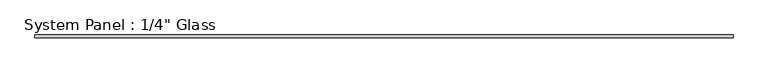
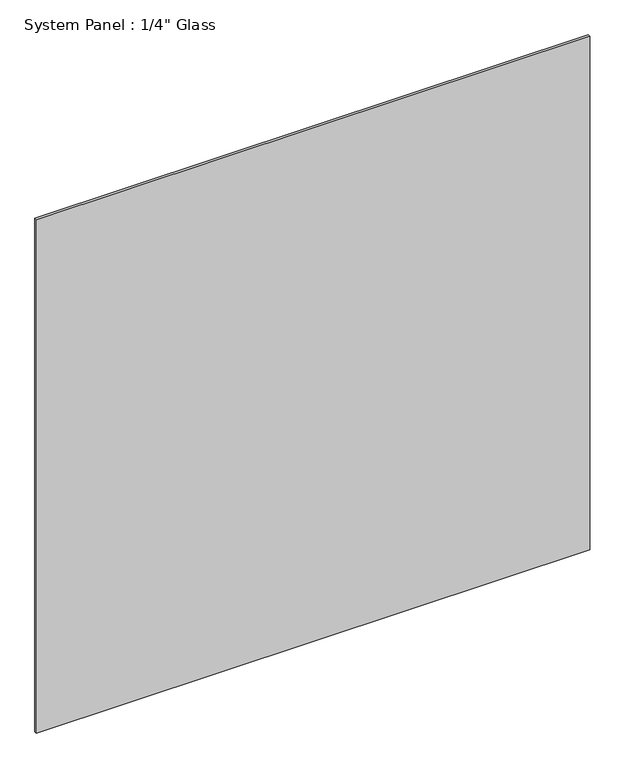
"""IFC4 building model written with IfcOpenShell, lengths in millimetres: plate geometry."""

from ifc_helpers import new_model, si_unit, origin, origin_with_axes, place, context, project, spatial, polyline, outline, extrude, source, transform, mapped, element, save


def plate_d287d0ec(model_context):
    return source(origin(), model_context, "Body", "SweptSolid", [
        extrude(outline(polyline([(729.6720691, -3.175), (-729.6720691, -3.175), (-729.6720691, 3.175), (729.6720691, 3.175), (729.6720691, -3.175)])), origin_with_axes(), (0.0, 0.0, 1.0), 1431.2917704),
    ])


if __name__ == "__main__":
    model = new_model("IFC4")
    model_context = context("Model", 3, world=origin())
    ifc_project = project(units=[si_unit("LENGTHUNIT", "METRE", prefix="MILLI")], contexts=[model_context])
    site = spatial("IfcSite", under=ifc_project)
    building = spatial("IfcBuilding", under=site)
    placement = place(None, origin())
    plate_shape = plate_d287d0ec(model_context)
    element("IfcPlate", 1, ObjectType="System Panel : 1/4\" Glass", at=placement, inside=building, context=model_context, shape_type="MappedRepresentation", body=[
        mapped(plate_shape, transform((0.0, 0.0, 0.0), x_axis=(1.0, 0.0, 0.0), y_axis=(0.0, 1.0, 0.0), z_axis=(0.0, 0.0, 1.0))),
    ])
    save(model, "model.ifc")
